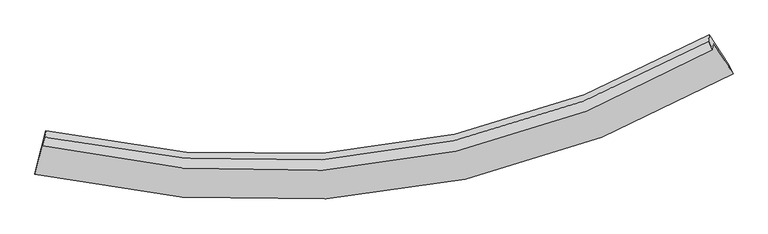
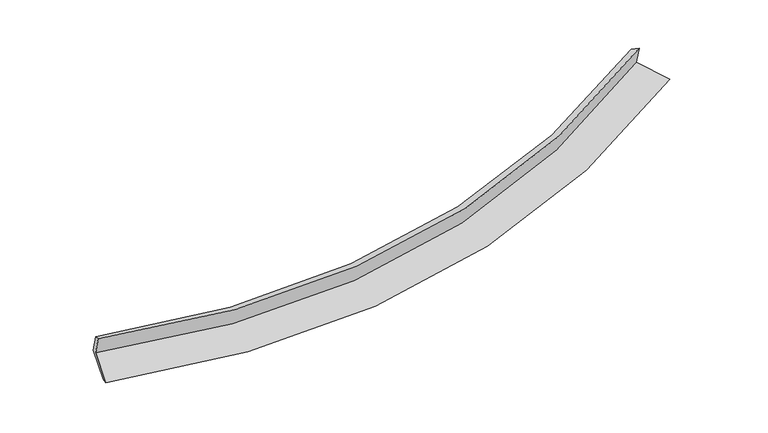
"""IFC4 building model written with IfcOpenShell, lengths in millimetres: proxy geometry."""

from ifc_helpers import new_model, si_unit, frame, origin, place, context, project, spatial, source, transform, mapped, element, save
from ifc_brep_helpers import plane_surface, spline_curve, spline_surface, advanced_brep


def generic_models_d59109ca(model_context):
    return source(origin(), model_context, "Body", "AdvancedBrep", [
        advanced_brep(
        [(-6555.6372025, -2037.0772158, 1498.7713828), (-6715.6336781, -2675.1219027, 1297.1675696), (5912.9367546, -859.0222997, 2362.6675415), (5554.7255385, -302.9384212, 2518.4919673), (-6570.8727528, -2153.7524329, 1880.1214949), (5539.6884419, -418.0938615, 2894.8747258), (-6536.7072341, -2003.5051662, 1822.88983), (5468.2607367, -263.9287589, 2810.3695587), (-6521.9250125, -1890.3015819, 1452.8866658), (5482.6708541, -153.5747816, 2449.6802654), (-6679.0811772, -2517.0194861, 1254.861791), (5831.9099846, -695.7304749, 2297.7587606)],
        [
            (0, 1),
            (1, 2, spline_curve(3, [(-6715.6336781, -2675.1219027, 1297.1675696), (-3997.081739792, -3282.603785396, 1219.330063402), (-1401.26929031, -3311.704737002, 1314.529604328), (2741.460139616, -2391.58698402, 1763.861919205), (4355.171167713, -1757.119498095, 2023.829036274), (5912.9367546, -859.0222997, 2362.6675415)], [4, 2, 4], [0.0, 25.063125486560953, 41.9841020430289])),
            (2, 3),
            (3, 0, spline_curve(3, [(5554.7255385, -302.9384212, 2518.4919673), (4061.445384346, -1171.854217824, 2191.157896975), (2514.288486962, -1784.463585538, 1940.537281776), (-1458.174892948, -2668.517697398, 1509.041148542), (-3947.805575991, -2633.954595193, 1419.754902167), (-6555.6372025, -2037.0772158, 1498.7713828)], [4, 2, 4], [0.0, 16.920976556467945, 41.9841020430289])),
            (4, 0),
            (3, 5),
            (5, 4, spline_curve(3, [(5539.6884419, -418.0938615, 2894.8747258), (4046.273053409, -1288.045293121, 2570.92560273), (2499.024680716, -1901.355188961, 2322.594647806), (-1473.557094362, -2786.315982211, 1894.061978146), (-3963.162453317, -2751.55894272, 1804.141855445), (-6570.8727528, -2153.7524329, 1880.1214949)], [4, 2, 4], [0.0, 16.570255021345538, 41.113896433433716])),
            (6, 4),
            (5, 7),
            (7, 6, spline_curve(3, [(5468.2607367, -263.9287589, 2810.3695587), (3985.0880927, -1113.651399468, 2498.144112154), (2449.671665839, -1715.097505349, 2258.288534839), (-1489.609737069, -2591.377150629, 1842.725222025), (-3955.849300739, -2569.78984674, 1753.42088959), (-6536.7072341, -2003.5051662, 1822.88983)], [4, 2, 4], [0.0, 16.490633750442004, 40.91634119474793])),
            (8, 6),
            (7, 9),
            (9, 8, spline_curve(3, [(5482.6708541, -153.5747816, 2449.6802654), (3999.906082938, -1000.173898068, 2127.245657265), (2464.753290088, -1599.60107095, 1880.791245147), (-1474.231870911, -2473.612061029, 1457.812888481), (-3940.611033138, -2453.093821675, 1372.00276697), (-6521.9250125, -1890.3015819, 1452.8866658)], [4, 2, 4], [0.0, 16.41110991484037, 40.71902771123768])),
            (10, 8),
            (9, 11),
            (11, 10, spline_curve(3, [(5831.9099846, -695.7304749, 2297.7587606), (4288.289151911, -1577.840457011, 1962.028198477), (2689.388427953, -2203.045082786, 1705.140264529), (-1414.942520382, -3116.864334472, 1263.376619821), (-3986.372183926, -3098.756045661, 1172.632230672), (-6679.0811772, -2517.0194861, 1254.861791)], [4, 2, 4], [0.0, 16.757777067329183, 41.57917364055127])),
            (1, 10),
            (11, 2),
        ],
        [
            spline_surface(3, 3, [[(-6555.6372025, -2037.0772158, 1498.7713828), (-3947.805576072, -2633.95459513, 1419.754902094), (-1458.174892954, -2668.517697627, 1509.041148437), (2514.288486966, -1784.463585383, 1940.537281847), (4061.445384205, -1171.854218028, 2191.157896992), (5554.7255385, -302.9384212, 2518.4919673)], [(-6608.969361025, -2249.758778113, 1431.570111729), (-3964.230963993, -2850.170991772, 1352.946622643), (-1439.206358701, -2882.913377293, 1444.203966956), (2590.012371149, -1986.838051655, 1881.645494381), (4159.353978624, -1366.942644785, 2135.38161015), (5674.129277203, -488.299714042, 2466.550492008)], [(-6662.301519575, -2462.440340387, 1364.368840671), (-3980.656351939, -3066.387388376, 1286.138343205), (-1420.237824434, -3097.309057005, 1379.366785463), (2665.736255346, -2189.212517972, 1822.753706904), (4257.262573035, -1562.031071516, 2079.605323383), (5793.533015897, -673.661006858, 2414.609016792)], [(-6715.6336781, -2675.1219027, 1297.1675696), (-3997.08173986, -3282.603785018, 1219.330063754), (-1401.269290182, -3311.704736671, 1314.529603982), (2741.460139529, -2391.586984243, 1763.861919438), (4355.171167453, -1757.119498273, 2023.82903654), (5912.9367546, -859.0222997, 2362.6675415)]], [4, 4], [4, 2, 4], [0.0, 2.189607189851955], [0.0, 25.063125486560953, 41.9841020430289]),
            spline_surface(3, 3, [[(-6570.8727528, -2153.7524329, 1880.1214949), (-3963.162453077, -2751.558943062, 1804.14185574), (-1473.557094339, -2786.315981906, 1894.061977798), (2499.024680701, -1901.355189167, 2322.594648041), (4046.27305351, -1288.045293213, 2570.925602949), (5539.6884419, -418.0938615, 2894.8747258)], [(-6565.794236021, -2114.860693851, 1753.004790888), (-3958.043494063, -2712.357493736, 1676.012871212), (-1468.429693873, -2747.049887171, 1765.721701323), (2504.112616127, -1862.391321264, 2195.242192622), (4051.330497065, -1249.31493481, 2444.336367657), (5544.700807423, -379.708714725, 2769.413806327)], [(-6560.715719279, -2075.968954849, 1625.888086812), (-3952.924535086, -2673.156044457, 1547.883886621), (-1463.30229342, -2707.783792362, 1637.381424912), (2509.200551539, -1823.427453287, 2067.889737266), (4056.387940651, -1210.584576431, 2317.747132284), (5549.713172977, -341.323567975, 2643.952886773)], [(-6555.6372025, -2037.0772158, 1498.7713828), (-3947.805576072, -2633.95459513, 1419.754902094), (-1458.174892954, -2668.517697627, 1509.041148437), (2514.288486966, -1784.463585383, 1940.537281847), (4061.445384205, -1171.854218028, 2191.157896992), (5554.7255385, -302.9384212, 2518.4919673)]], [4, 4], [4, 2, 4], [0.0, 1.31818767754623], [0.0, 24.543641412088178, 41.113896433433716]),
            spline_surface(3, 3, [[(-6536.7072341, -2003.5051662, 1822.88983), (-3955.849300698, -2569.789847069, 1753.420889815), (-1489.609737356, -2591.377150629, 1842.725221962), (2449.671666033, -1715.097505349, 2258.288534881), (3985.088092953, -1113.651399305, 2498.144112347), (5468.2607367, -263.9287589, 2810.3695587)], [(-6548.095740353, -2053.587588453, 1841.967051611), (-3958.287018177, -2630.379545754, 1770.327878434), (-1484.258856352, -2656.356761032, 1859.837473913), (2466.122670921, -1777.183399933, 2279.72390594), (4005.483079793, -1171.782697257, 2522.404609215), (5492.069971754, -315.317126416, 2838.537947734)], [(-6559.484246547, -2103.670010647, 1861.044273289), (-3960.724735597, -2690.969244378, 1787.23486712), (-1478.907975344, -2721.336371503, 1876.949725848), (2482.573675812, -1839.269294584, 2301.159276982), (4025.87806667, -1229.913995261, 2546.665106081), (5515.879206846, -366.705493984, 2866.706336766)], [(-6570.8727528, -2153.7524329, 1880.1214949), (-3963.162453077, -2751.558943062, 1804.14185574), (-1473.557094339, -2786.315981906, 1894.061977798), (2499.024680701, -1901.355189167, 2322.594648041), (4046.27305351, -1288.045293213, 2570.925602949), (5539.6884419, -418.0938615, 2894.8747258)]], [4, 4], [4, 2, 4], [0.0, 0.6579016907242381], [0.0, 24.425707444305925, 40.91634119474793]),
            spline_surface(3, 3, [[(-6521.9250125, -1890.3015819, 1452.8866658), (-3940.611033137, -2453.093821709, 1372.002766878), (-1474.231870581, -2473.612061063, 1457.812888206), (2464.753289866, -1599.601070927, 1880.791245333), (3999.906082789, -1000.173898141, 2127.245657199), (5482.6708541, -153.5747816, 2449.6802654)], [(-6526.852419673, -1928.036109975, 1576.221053864), (-3945.69045563, -2491.992496805, 1499.142141188), (-1479.357826189, -2512.867090941, 1586.116999463), (2459.726081905, -1638.099882424, 2006.623675187), (3994.966752846, -1037.999731864, 2250.878475554), (5477.867481636, -190.359440701, 2569.910029805)], [(-6531.779826927, -1965.770638125, 1699.555441936), (-3950.769878205, -2530.891171974, 1626.281515505), (-1484.483781749, -2552.122120751, 1714.421110705), (2454.698873994, -1676.598693853, 2132.456105027), (3990.027422896, -1075.825565582, 2374.511293992), (5473.064109164, -227.144099799, 2690.139794295)], [(-6536.7072341, -2003.5051662, 1822.88983), (-3955.849300698, -2569.789847069, 1753.420889815), (-1489.609737356, -2591.377150629, 1842.725221962), (2449.671666033, -1715.097505349, 2258.288534881), (3985.088092953, -1113.651399305, 2498.144112347), (5468.2607367, -263.9287589, 2810.3695587)]], [4, 4], [4, 2, 4], [0.0, 1.3116375791880448], [0.0, 24.30791779639731, 40.71902771123768]),
            spline_surface(3, 3, [[(-6679.0811772, -2517.0194861, 1254.861791), (-3986.372183622, -3098.756045412, 1172.632230364), (-1414.942520328, -3116.864334295, 1263.376619703), (2689.388427916, -2203.045082906, 1705.140264608), (4288.289151899, -1577.840456934, 1962.028198448), (5831.9099846, -695.7304749, 2297.7587606)], [(-6626.695788998, -2308.113518043, 1320.870082622), (-3971.118466825, -2883.535304188, 1239.08907589), (-1434.705637058, -2902.446909859, 1328.188709215), (2614.510048587, -2001.897078888, 1763.690591527), (4192.161462197, -1385.284937335, 2017.100684712), (5715.496941102, -515.011910465, 2348.399262214)], [(-6574.310400702, -2099.207549957, 1386.878374178), (-3955.864749934, -2668.314562933, 1305.545921351), (-1454.468753852, -2688.029485499, 1393.000798694), (2539.631669194, -1800.749074945, 1822.240918414), (4096.033772491, -1192.729417741, 2072.173170935), (5599.083897598, -334.293346035, 2399.039763786)], [(-6521.9250125, -1890.3015819, 1452.8866658), (-3940.611033137, -2453.093821709, 1372.002766878), (-1474.231870581, -2473.612061063, 1457.812888206), (2464.753289866, -1599.601070927, 1880.791245333), (3999.906082789, -1000.173898141, 2127.245657199), (5482.6708541, -153.5747816, 2449.6802654)]], [4, 4], [4, 2, 4], [0.0, 2.1848992384383084], [0.0, 24.821396573222085, 41.57917364055127]),
            spline_surface(3, 3, [[(-6715.6336781, -2675.1219027, 1297.1675696), (-3997.08173986, -3282.603785018, 1219.330063754), (-1401.269290182, -3311.704736671, 1314.529603982), (2741.460139529, -2391.586984243, 1763.861919438), (4355.171167453, -1757.119498273, 2023.82903654), (5912.9367546, -859.0222997, 2362.6675415)], [(-6703.44951113, -2622.421097164, 1283.065643386), (-3993.511887777, -3221.321205147, 1203.764119276), (-1405.827033568, -3246.757935895, 1297.478609219), (2724.10290232, -2328.739683814, 1744.288034492), (4332.877162285, -1697.359817844, 2003.228757187), (5885.927831283, -804.59169145, 2341.031281211)], [(-6691.26534417, -2569.720291636, 1268.963717214), (-3989.942035705, -3160.038625283, 1188.198174841), (-1410.384776942, -3181.811135071, 1280.427614466), (2706.745665125, -2265.892383336, 1724.714149555), (4310.583157068, -1637.600137364, 1982.628477801), (5858.918907917, -750.16108315, 2319.395020889)], [(-6679.0811772, -2517.0194861, 1254.861791), (-3986.372183622, -3098.756045412, 1172.632230364), (-1414.942520328, -3116.864334295, 1263.376619703), (2689.388427916, -2203.045082906, 1705.140264608), (4288.289151899, -1577.840456934, 1962.028198448), (5831.9099846, -695.7304749, 2297.7587606)]], [4, 4], [4, 2, 4], [0.0, 0.6583480793446181], [0.0, 25.458714713408725, 42.646767139447356]),
            plane_surface(frame((5631.6987184, -448.881433, 2555.6404699), z_axis=(0.8489400256569505, 0.4949241338498701, 0.18534005117764465), x_axis=(-0.038175688686758365, -0.2923528634729152, 0.9555482300818094))),
            plane_surface(frame((-6596.6428429, -2212.7962976, 1534.449789), z_axis=(-0.971834198961679, 0.2334022017214254, 0.03258376835332333), x_axis=(0.23255301873293394, 0.9273905409538783, 0.29302880067917003))),
        ],
        [
            (0, [[1, 2, 3, 4]]),
            (1, [[5, -4, 6, 7]]),
            (2, [[8, -7, 9, 10]]),
            (3, [[11, -10, 12, 13]]),
            (4, [[14, -13, 15, 16]]),
            (5, [[17, -16, 18, -2]]),
            (6, [[-12, -9, -6, -3, -18, -15]]),
            (7, [[-1, -5, -8, -11, -14, -17]]),
        ],
    ),
    ])


if __name__ == "__main__":
    model = new_model("IFC4")
    model_context = context("Model", 3, world=origin())
    ifc_project = project(units=[si_unit("LENGTHUNIT", "METRE", prefix="MILLI")], contexts=[model_context])
    site = spatial("IfcSite", under=ifc_project)
    building = spatial("IfcBuilding", under=site)
    placement = place(None, origin())
    generic_models_shape = generic_models_d59109ca(model_context)
    element("IfcBuildingElementProxy", 1, Name="Generic Models", at=placement, inside=building, context=model_context, shape_type="MappedRepresentation", body=[
        mapped(generic_models_shape, transform((0.0, 0.0, 0.0), x_axis=(1.0, 0.0, 0.0), y_axis=(0.0, 1.0, 0.0), z_axis=(0.0, 0.0, 1.0))),
    ])
    save(model, "model.ifc")
